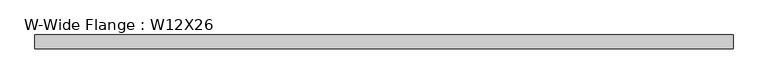
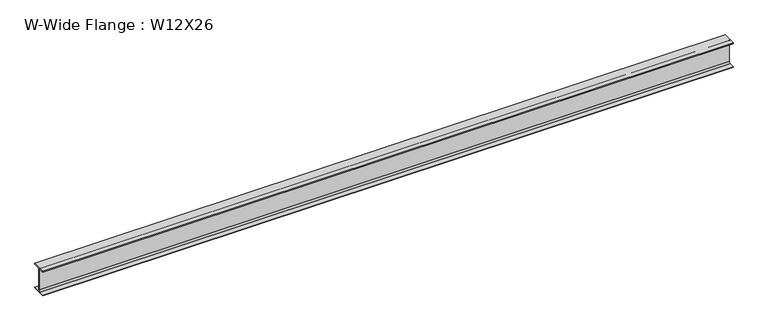
"""IFC4 building model written with IfcOpenShell, lengths in millimetres: beam geometry, W-Wide Flange : W12X26."""

from ifc_helpers import new_model, si_unit, point, frame, frame_2d, origin, place, context, project, spatial, polyline, circle_curve, trimmed, segment, composite_curve, outline, extrude, source, transform, mapped, element, save


def w_wide_flange_w12x26_47330149(model_context):
    return source(origin(), model_context, "Body", "SweptSolid", [
        extrude(outline(composite_curve([segment(polyline([(82.4011719, -145.5539063), (82.4011719, -155.178125), (-82.4011719, -155.178125), (-82.4011719, -145.5539063), (-20.2902344, -145.5539063)]), True, "CONTINUOUS"), segment(trimmed(circle_curve(frame_2d((-20.2902344, -128.190625)), 17.3632812), [point((-20.2902344, -145.5539063))], [point((-2.9269531, -128.190625))], True, "CARTESIAN"), True, "CONTINUOUS"), segment(polyline([(-2.9269531, -128.190625), (-2.9269531, 128.190625)]), True, "CONTINUOUS"), segment(trimmed(circle_curve(frame_2d((-20.2902344, 128.190625)), 17.3632812), [point((-2.9269531, 128.190625))], [point((-20.2902344, 145.5539062))], True, "CARTESIAN"), True, "CONTINUOUS"), segment(polyline([(-20.2902344, 145.5539062), (-82.4011719, 145.5539062), (-82.4011719, 155.178125), (82.4011719, 155.178125), (82.4011719, 145.5539062), (20.2902344, 145.5539062)]), True, "CONTINUOUS"), segment(trimmed(circle_curve(frame_2d((20.2902344, 128.190625)), 17.3632812), [point((20.2902344, 145.5539062))], [point((2.9269531, 128.190625))], True, "CARTESIAN"), True, "CONTINUOUS"), segment(polyline([(2.9269531, 128.190625), (2.9269531, -128.190625)]), True, "CONTINUOUS"), segment(trimmed(circle_curve(frame_2d((20.2902344, -128.190625)), 17.3632812), [point((2.9269531, -128.190625))], [point((20.2902344, -145.5539063))], True, "CARTESIAN"), True, "CONTINUOUS"), segment(polyline([(20.2902344, -145.5539063), (82.4011719, -145.5539063)]), True, "CONTINUOUS")], self_intersect=False)), frame((-4178.7650641, 0.0, 0.0), z_axis=(1.0, 0.0, 0.0), x_axis=(0.0, 1.0, 0.0)), (0.0, 0.0, 1.0), 8274.6638922),
    ])


if __name__ == "__main__":
    model = new_model("IFC4")
    model_context = context("Model", 3, world=origin())
    ifc_project = project(units=[si_unit("LENGTHUNIT", "METRE", prefix="MILLI")], contexts=[model_context])
    site = spatial("IfcSite", under=ifc_project)
    building = spatial("IfcBuilding", under=site)
    placement = place(None, origin())
    w_wide_flange_w12x26_shape = w_wide_flange_w12x26_47330149(model_context)
    element("IfcBeam", 1, ObjectType="W-Wide Flange : W12X26", at=placement, inside=building, context=model_context, shape_type="MappedRepresentation", body=[
        mapped(w_wide_flange_w12x26_shape, transform((0.0, 0.0, 0.0), x_axis=(1.0, 0.0, 0.0), y_axis=(0.0, 1.0, 0.0), z_axis=(0.0, 0.0, 1.0))),
    ])
    save(model, "model.ifc")
